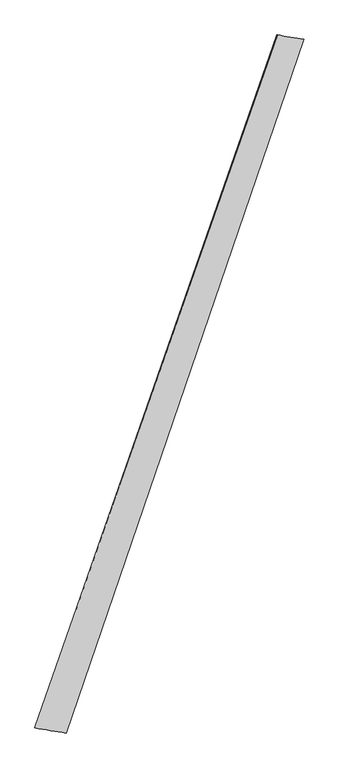
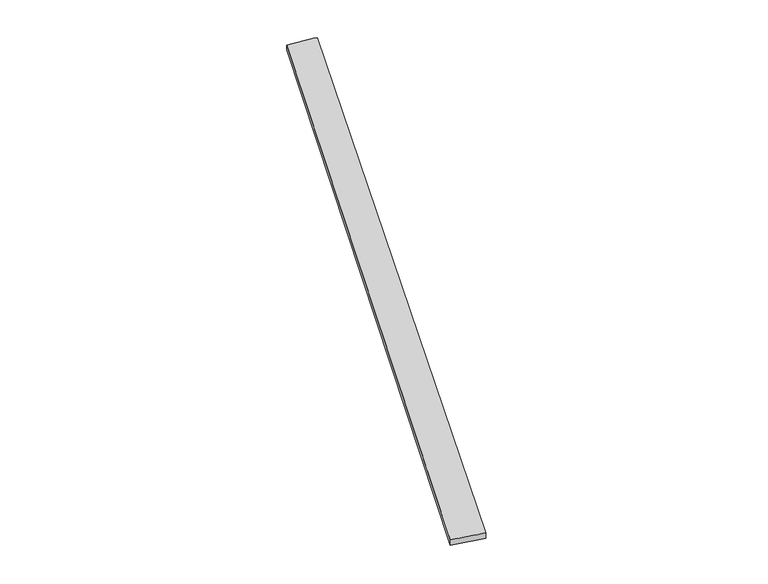
"""IFC4 building model written with IfcOpenShell, lengths in millimetres: proxy geometry."""

import ifcopenshell
import ifcopenshell.guid

model = None  # the IFC model being written
_history = None  # IfcOwnerHistory: only IFC2X3 demands one
_inside = {}  # id of a spatial element -> (the spatial element, [elements in it])
_under = {}  # id of a project, library or spatial element -> (it, [spatial elements below it])
_declared = {}  # id of a project -> (the project, [libraries it declares])
_typed = {}  # id of a type object -> (the type object, [elements of that type])
_made_of = {}  # id of a material, layer set ... -> (it, [elements and type objects made of it])


def new_model(schema):
    """Start an empty IFC model of exactly this schema.

    Asked for "IFC4X3", IfcOpenShell would pick the latest addendum, in which some entities
    have other attributes; the version numbers below select the first issue.
    IFC2X3 requires an IfcOwnerHistory on every rooted entity: one is made here for all.
    """
    global model, _history
    if schema == "IFC4X3":
        model = ifcopenshell.file(schema_version=(4, 3, 0, 0))
    else:
        model = ifcopenshell.file(schema=schema)
    _inside.clear()
    _under.clear()
    _declared.clear()
    _typed.clear()
    _made_of.clear()
    _history = None
    if model.schema == "IFC2X3":
        org = make("IfcOrganization", Name="unknown")
        user = make(
            "IfcPersonAndOrganization",
            ThePerson=make("IfcPerson", FamilyName="unknown"),
            TheOrganization=org,
        )
        app = make(
            "IfcApplication",
            ApplicationDeveloper=org,
            Version="unknown",
            ApplicationFullName="unknown",
            ApplicationIdentifier="unknown",
        )
        _history = make(
            "IfcOwnerHistory",
            OwningUser=user,
            OwningApplication=app,
            ChangeAction="ADDED",
            CreationDate=0,
        )
    return model


def make(cls, **values):
    """One entity of the class cls with the attributes given. An attribute that is None is left unset."""
    return model.create_entity(
        cls, **{name: value for name, value in values.items() if value is not None}
    )


def rooted(cls, **values):
    """An entity with a GlobalId (a new one), such as an element, a storey or a relation."""
    return make(cls, GlobalId=ifcopenshell.guid.new(), OwnerHistory=_history, **values)


def si_unit(unit_type, name, prefix=None):
    """IfcSIUnit, for example si_unit("LENGTHUNIT", "METRE", prefix="MILLI")."""
    return make("IfcSIUnit", UnitType=unit_type, Prefix=prefix, Name=name)


def assignment(units):
    """IfcUnitAssignment: the units of a project."""
    return None if units is None else make("IfcUnitAssignment", Units=units)


def point(xyz):
    """IfcCartesianPoint."""
    return None if xyz is None else make("IfcCartesianPoint", Coordinates=xyz)


def direction(xyz):
    """IfcDirection."""
    return None if xyz is None else make("IfcDirection", DirectionRatios=xyz)


def frame(location, z_axis=None, x_axis=None):
    """IfcAxis2Placement3D, a coordinate frame: its origin and axes. An axis left out is left unset."""
    return make(
        "IfcAxis2Placement3D",
        Location=point(location),
        Axis=direction(z_axis),
        RefDirection=direction(x_axis),
    )


def origin():
    """The frame at (0, 0, 0) with its axes left unset."""
    return frame((0.0, 0.0, 0.0))


def place(relative_to, where):
    """IfcLocalPlacement: puts the frame where relative to a parent placement (None: the world)."""
    return make(
        "IfcLocalPlacement", PlacementRelTo=relative_to, RelativePlacement=where
    )


def context(
    kind, dimensions, precision=None, world=None, true_north=None, identifier=None
):
    """IfcGeometricRepresentationContext, for example the 3D "Model" context."""
    return make(
        "IfcGeometricRepresentationContext",
        ContextIdentifier=identifier,
        ContextType=kind,
        CoordinateSpaceDimension=dimensions,
        Precision=precision,
        WorldCoordinateSystem=world,
        TrueNorth=true_north,
    )


def project(units=None, contexts=None):
    """IfcProject with its units and contexts."""
    return rooted(
        "IfcProject",
        Name="project",
        RepresentationContexts=contexts,
        UnitsInContext=assignment(units),
    )


def spatial(cls, under=None, at=None, **own):
    """A site, building, storey or space (cls), placed at a placement, below another one or the project."""
    s = rooted(cls, ObjectPlacement=at, **own)
    if under is not None:
        _under.setdefault(under.id(), (under, []))[1].append(s)
    return s


def shape(context_of_items, identifier, shape_type, items):
    """IfcShapeRepresentation: the items that make up one representation, for example the "Body"."""
    return make(
        "IfcShapeRepresentation",
        ContextOfItems=context_of_items,
        RepresentationIdentifier=identifier,
        RepresentationType=shape_type,
        Items=items,
    )


def source(mapping_origin, context_of_items, identifier, shape_type, items):
    """IfcRepresentationMap: a shape defined once, which mapped items show again and again."""
    return make(
        "IfcRepresentationMap",
        MappingOrigin=mapping_origin,
        MappedRepresentation=shape(context_of_items, identifier, shape_type, items),
    )


def transform(
    local_origin,
    x_axis=None,
    y_axis=None,
    z_axis=None,
    scale=None,
    scale2=None,
    scale3=None,
    uniform=True,
):
    """IfcCartesianTransformationOperator3D, or its non-uniform kind. x_axis, y_axis, z_axis: its Axis1, 2, 3."""
    if uniform:
        return make(
            "IfcCartesianTransformationOperator3D",
            Axis1=direction(x_axis),
            Axis2=direction(y_axis),
            LocalOrigin=point(local_origin),
            Scale=scale,
            Axis3=direction(z_axis),
        )
    return make(
        "IfcCartesianTransformationOperator3DnonUniform",
        Axis1=direction(x_axis),
        Axis2=direction(y_axis),
        LocalOrigin=point(local_origin),
        Scale=scale,
        Axis3=direction(z_axis),
        Scale2=scale2,
        Scale3=scale3,
    )


def mapped(mapping_source, mapping_target):
    """IfcMappedItem: shows the shape of a source again, moved by a transform."""
    return make(
        "IfcMappedItem", MappingSource=mapping_source, MappingTarget=mapping_target
    )


def made_of(thing, what):
    """Note that an element or type object is made of a material, layer set ...; save() writes the relation."""
    if what is not None:
        _made_of.setdefault(what.id(), (what, []))[1].append(thing)
    return thing


def element(
    cls,
    number,
    at=None,
    inside=None,
    cuts=None,
    type_object=None,
    material=None,
    context=None,
    identifier="Body",
    shape_type=None,
    held_by="IfcProductDefinitionShape",
    body=None,
    shapes=None,
    **own,
):
    """One element of the class cls, such as IfcWall. Its Tag is "e" and its number.

    at: its placement. inside: the storey or other place that contains it. cuts: it is an
    opening in that element (IfcRelVoidsElement). A single representation is given by context,
    identifier, shape_type and body (its items); several are given by shapes. held_by: the class
    of the entity that holds the representations. save() writes the other relations.
    """
    e = rooted(cls, Tag="e%d" % number, ObjectPlacement=at, **own)
    if body is not None:
        shapes = [shape(context, identifier, shape_type, body)]
    if shapes is not None:
        e.Representation = make(held_by, Representations=shapes)
    if inside is not None:
        _inside.setdefault(inside.id(), (inside, []))[1].append(e)
    if cuts is not None:
        rooted(
            "IfcRelVoidsElement", RelatingBuildingElement=cuts, RelatedOpeningElement=e
        )
    if type_object is not None:
        _typed.setdefault(type_object.id(), (type_object, []))[1].append(e)
    return made_of(e, material)


def aggregate(whole, parts):
    """IfcRelAggregates: a whole, such as a stair, and the parts it consists of."""
    return rooted("IfcRelAggregates", RelatingObject=whole, RelatedObjects=parts)


def save(model, path):
    """Write the relations noted so far, then the file.

    IfcRelAggregates (storeys below a building ...), IfcRelContainedInSpatialStructure (elements
    in a storey), IfcRelDefinesByType, IfcRelAssociatesMaterial and IfcRelDeclares: one each for
    every whole, place, type object, material and project.
    """
    for whole, parts in _under.values():
        aggregate(whole, parts)
    for where, things in _inside.values():
        rooted(
            "IfcRelContainedInSpatialStructure",
            RelatedElements=things,
            RelatingStructure=where,
        )
    for kind, things in _typed.values():
        rooted("IfcRelDefinesByType", RelatedObjects=things, RelatingType=kind)
    for what, things in _made_of.values():
        rooted("IfcRelAssociatesMaterial", RelatedObjects=things, RelatingMaterial=what)
    for by, libraries in _declared.values():
        rooted("IfcRelDeclares", RelatingContext=by, RelatedDefinitions=libraries)
    model.write(path)


def spline_surface(u_degree, v_degree, points, u_multiplicities, v_multiplicities, u_knots, v_knots, weights=None):
    """IfcBSplineSurfaceWithKnots; with weights, IfcRationalBSplineSurfaceWithKnots. points: one row for each step in u."""
    own = dict(
        UDegree=u_degree,
        VDegree=v_degree,
        ControlPointsList=[[point(p) for p in row] for row in points],
        SurfaceForm="UNSPECIFIED",
        UClosed=False,
        VClosed=False,
        SelfIntersect=False,
        UMultiplicities=u_multiplicities,
        VMultiplicities=v_multiplicities,
        UKnots=u_knots,
        VKnots=v_knots,
        KnotSpec="UNSPECIFIED",
    )
    if weights is None:
        return make("IfcBSplineSurfaceWithKnots", **own)
    return make("IfcRationalBSplineSurfaceWithKnots", WeightsData=weights, **own)


def advanced_brep(points, edges, surfaces, faces):
    """IfcAdvancedBrep: a solid bounded by faces that lie on surfaces and meet in shared edges.

    An edge is (start, end): straight between two places in points (the first is 0);
    or (start, end, curve); or (start, end, curve, False) where it runs against its curve.
    A face is (place in surfaces, loops), or (place, loops, False) where it looks against
    its surface's normal. A loop lists edges by number (the first is 1), with a minus sign
    where the edge is run from its end to its start. The first loop is the outer one.
    """
    corners = [point(p) for p in points]
    vertices = [make("IfcVertexPoint", VertexGeometry=c) for c in corners]
    made = []
    for start, end, *more in edges:
        made.append(
            make(
                "IfcEdgeCurve",
                EdgeStart=vertices[start],
                EdgeEnd=vertices[end],
                EdgeGeometry=more[0] if more else make("IfcPolyline", Points=[corners[start], corners[end]]),
                SameSense=more[1] if len(more) > 1 else True,
            )
        )
    hull = []
    for where, loops, *sense in faces:
        bounds = []
        for j, loop in enumerate(loops):
            ring = [make("IfcOrientedEdge", EdgeElement=made[abs(k) - 1], Orientation=k > 0) for k in loop]
            bounds.append(
                make(
                    "IfcFaceOuterBound" if j == 0 else "IfcFaceBound",
                    Bound=make("IfcEdgeLoop", EdgeList=ring),
                    Orientation=True,
                )
            )
        hull.append(make("IfcAdvancedFace", Bounds=bounds, FaceSurface=surfaces[where], SameSense=sense[0] if sense else True))
    return make("IfcAdvancedBrep", Outer=make("IfcClosedShell", CfsFaces=hull))


def generic_models_a4f75448(model_context):
    return source(origin(), model_context, "Body", "AdvancedBrep", [
        advanced_brep(
        [(-676.5760253, -1713.9925975, 1.9893646), (-676.128353, -1714.115635, 31.9857719), (664.9359932, 2120.7155887, 27.6062049), (666.7376418, 2120.0506087, -2.3322631), (-503.3300293, -1742.4582246, 28.0001034), (813.8856147, 2096.0863996, 32.332184), (-504.0728859, -1742.1693784, -1.9893069), (813.9112694, 2096.1113673, 2.3322054)],
        [
            (0, 1),
            (1, 2),
            (2, 3),
            (3, 0),
            (1, 4),
            (4, 5),
            (5, 2),
            (4, 6),
            (6, 7),
            (7, 5),
            (6, 0),
            (3, 7),
        ],
        [
            spline_surface(1, 1, [[(-676.5760253, -1713.9925975, 1.9893646), (666.7376418, 2120.0506087, -2.3322631)], [(-676.128353, -1714.115635, 31.9857719), (664.9359932, 2120.7155887, 27.6062049)]], [2, 2], [2, 2], [0.0, 1.0], [0.0, 1.0]),
            spline_surface(1, 1, [[(-676.128353, -1714.115635, 31.9857719), (664.9359932, 2120.7155887, 27.6062049)], [(-503.3300293, -1742.4582246, 28.0001034), (813.8856147, 2096.0863996, 32.332184)]], [2, 2], [2, 2], [0.0, 1.0], [0.0, 1.0]),
            spline_surface(1, 1, [[(-503.3300293, -1742.4582246, 28.0001034), (813.8856147, 2096.0863996, 32.332184)], [(-504.0728859, -1742.1693784, -1.9893069), (813.9112694, 2096.1113673, 2.3322054)]], [2, 2], [2, 2], [0.0, 1.0], [0.0, 1.0]),
            spline_surface(1, 1, [[(-504.0728859, -1742.1693784, -1.9893069), (813.9112694, 2096.1113673, 2.3322054)], [(-676.5760253, -1713.9925975, 1.9893646), (666.7376418, 2120.0506087, -2.3322631)]], [2, 2], [2, 2], [0.0, 1.0], [0.0, 1.0]),
            spline_surface(1, 1, [[(664.9359932, 2120.7155887, 27.6062049), (666.7376418, 2120.0506087, -2.3322631)], [(813.8856147, 2096.0863996, 32.332184), (813.9112694, 2096.1113673, 2.3322054)]], [2, 2], [2, 2], [0.0, 1.0], [0.0, 1.0]),
            spline_surface(1, 1, [[(-504.0728859, -1742.1693784, -1.9893069), (-676.5760253, -1713.9925975, 1.9893646)], [(-503.3300293, -1742.4582246, 28.0001034), (-676.128353, -1714.115635, 31.9857719)]], [2, 2], [2, 2], [0.0, 1.0], [0.0, 1.0]),
        ],
        [
            (0, [[1, 2, 3, 4]]),
            (1, [[5, 6, 7, -2]]),
            (2, [[8, 9, 10, -6]]),
            (3, [[11, -4, 12, -9]]),
            (4, [[-3, -7, -10, -12]]),
            (5, [[-11, -8, -5, -1]]),
        ],
    ),
    ])


if __name__ == "__main__":
    model = new_model("IFC4")
    model_context = context("Model", 3, world=origin())
    ifc_project = project(units=[si_unit("LENGTHUNIT", "METRE", prefix="MILLI")], contexts=[model_context])
    site = spatial("IfcSite", under=ifc_project)
    building = spatial("IfcBuilding", under=site)
    placement = place(None, origin())
    generic_models_shape = generic_models_a4f75448(model_context)
    element("IfcBuildingElementProxy", 1, Name="Generic Models", at=placement, inside=building, context=model_context, shape_type="MappedRepresentation", body=[
        mapped(generic_models_shape, transform((0.0, 0.0, 0.0), x_axis=(1.0, 0.0, 0.0), y_axis=(0.0, 1.0, 0.0), z_axis=(0.0, 0.0, 1.0))),
    ])
    save(model, "model.ifc")
